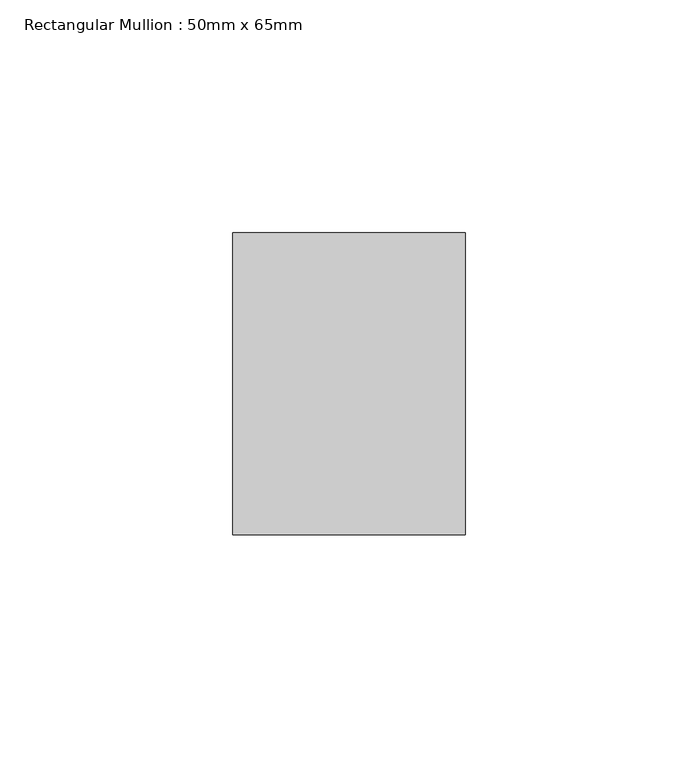
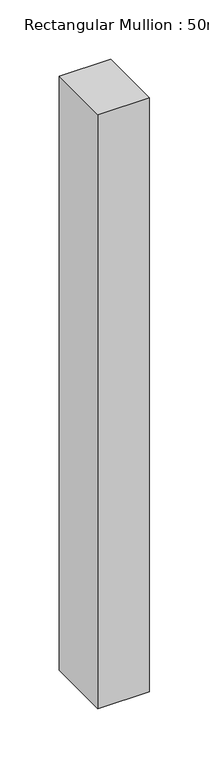
"""IFC4 building model written with IfcOpenShell, lengths in millimetres: member geometry, Rectangular Mullion : 50mm x 65mm."""

from ifc_helpers import new_model, si_unit, frame, origin, place, context, project, spatial, polyline, outline, extrude, source, transform, mapped, element, save


def rectangular_mullion_50mm_x_65mm_56cc68f2(model_context):
    return source(origin(), model_context, "Body", "SweptSolid", [
        extrude(outline(polyline([(25.0, 32.5), (25.0, -32.5), (-25.0, -32.5), (-25.0, 32.5), (25.0, 32.5)])), frame((0.0, 0.0, -610.7643987), z_axis=(0.0, 0.0, 1.0), x_axis=(1.0, 0.0, 0.0)), (0.0, 0.0, 1.0), 610.7643987),
    ])


if __name__ == "__main__":
    model = new_model("IFC4")
    model_context = context("Model", 3, world=origin())
    ifc_project = project(units=[si_unit("LENGTHUNIT", "METRE", prefix="MILLI")], contexts=[model_context])
    site = spatial("IfcSite", under=ifc_project)
    building = spatial("IfcBuilding", under=site)
    placement = place(None, origin())
    rectangular_mullion_50mm_x_65mm_shape = rectangular_mullion_50mm_x_65mm_56cc68f2(model_context)
    element("IfcMember", 1, ObjectType="Rectangular Mullion : 50mm x 65mm", at=placement, inside=building, context=model_context, shape_type="MappedRepresentation", body=[
        mapped(rectangular_mullion_50mm_x_65mm_shape, transform((0.0, 0.0, 0.0), x_axis=(1.0, 0.0, 0.0), y_axis=(0.0, 1.0, 0.0), z_axis=(0.0, 0.0, 1.0))),
    ])
    save(model, "model.ifc")
